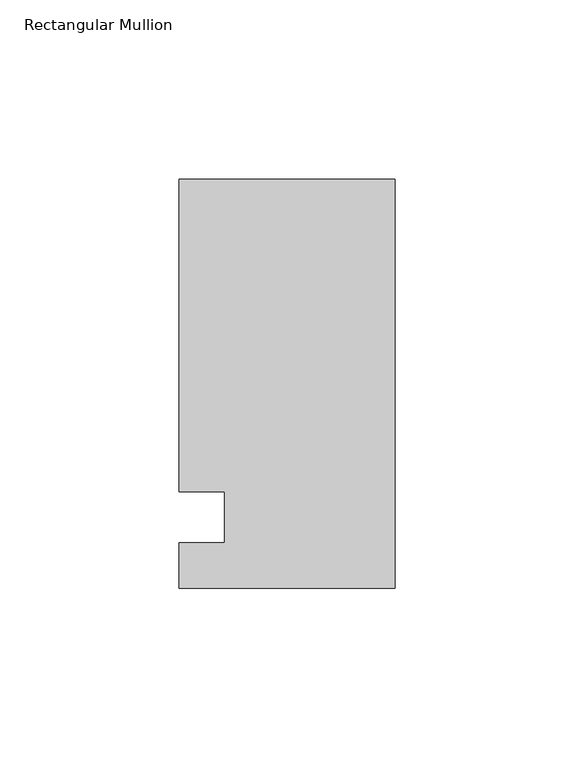
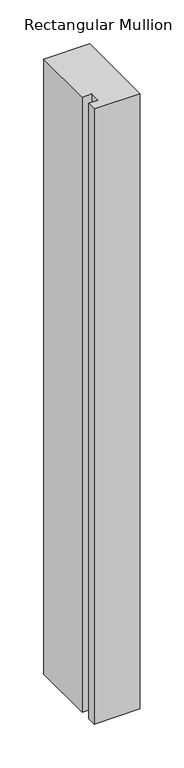
"""IFC4 building model written with IfcOpenShell, lengths in millimetres: member geometry, Rectangular Mullion."""

from ifc_helpers import new_model, si_unit, frame, origin, place, context, project, spatial, polyline, outline, extrude, source, transform, mapped, element, save


def rectangular_mullion_2881da4b(model_context):
    return source(origin(), model_context, "Body", "SweptSolid", [
        extrude(outline(polyline([(-60.325, 94.45625), (0.0, 94.45625), (0.0, -19.84375), (-60.325, -19.84375), (-60.325, -7.14375), (-47.6232296, -7.14375), (-47.6232296, 7.14375), (-60.325, 7.14375), (-60.325, 94.45625)])), frame((0.0, 0.0, -855.2344027), z_axis=(0.0, 0.0, 1.0), x_axis=(1.0, 0.0, 0.0)), (0.0, 0.0, 1.0), 855.2344027),
    ])


if __name__ == "__main__":
    model = new_model("IFC4")
    model_context = context("Model", 3, world=origin())
    ifc_project = project(units=[si_unit("LENGTHUNIT", "METRE", prefix="MILLI")], contexts=[model_context])
    site = spatial("IfcSite", under=ifc_project)
    building = spatial("IfcBuilding", under=site)
    placement = place(None, origin())
    rectangular_mullion_shape = rectangular_mullion_2881da4b(model_context)
    element("IfcMember", 1, ObjectType="Rectangular Mullion", at=placement, inside=building, context=model_context, shape_type="MappedRepresentation", body=[
        mapped(rectangular_mullion_shape, transform((0.0, 0.0, 0.0), x_axis=(1.0, 0.0, 0.0), y_axis=(0.0, 1.0, 0.0), z_axis=(0.0, 0.0, 1.0))),
    ])
    save(model, "model.ifc")
